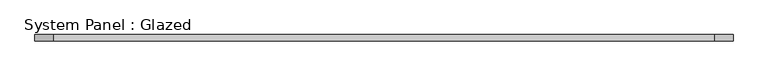
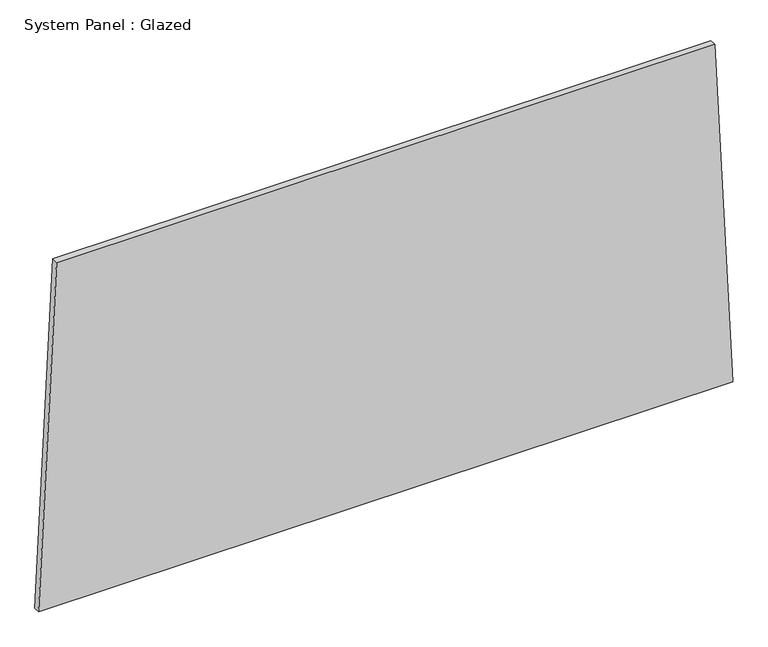
"""IFC4 building model written with IfcOpenShell, lengths in millimetres: plate geometry, System Panel : Glazed."""

from ifc_helpers import new_model, si_unit, frame, origin, place, context, project, spatial, polyline, outline, extrude, source, transform, mapped, element, save


def system_panel_glazed_080678f7(model_context):
    return source(origin(), model_context, "Body", "SweptSolid", [
        extrude(outline(polyline([(0.0, -1385.672787), (0.0, 1385.672787), (1448.153911, 1313.7496874), (1448.1531473, -1313.7463566), (0.0, -1385.672787)])), frame((0.0, -49.5, 0.0), z_axis=(0.0, 1.0, 0.0), x_axis=(0.0, 0.0, 1.0)), (0.0, 0.0, 1.0), 25.0),
    ])


if __name__ == "__main__":
    model = new_model("IFC4")
    model_context = context("Model", 3, world=origin())
    ifc_project = project(units=[si_unit("LENGTHUNIT", "METRE", prefix="MILLI")], contexts=[model_context])
    site = spatial("IfcSite", under=ifc_project)
    building = spatial("IfcBuilding", under=site)
    placement = place(None, origin())
    system_panel_glazed_shape = system_panel_glazed_080678f7(model_context)
    element("IfcPlate", 1, ObjectType="System Panel : Glazed", at=placement, inside=building, context=model_context, shape_type="MappedRepresentation", body=[
        mapped(system_panel_glazed_shape, transform((0.0, 0.0, 0.0), x_axis=(1.0, 0.0, 0.0), y_axis=(0.0, 1.0, 0.0), z_axis=(0.0, 0.0, 1.0))),
    ])
    save(model, "model.ifc")
